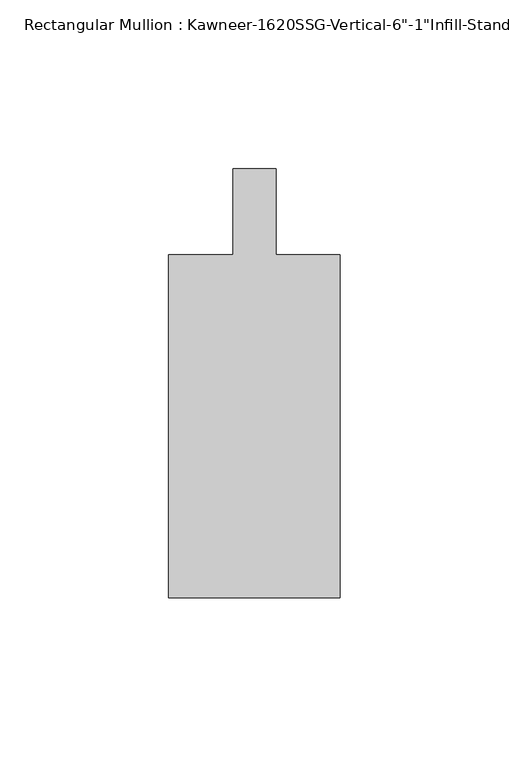
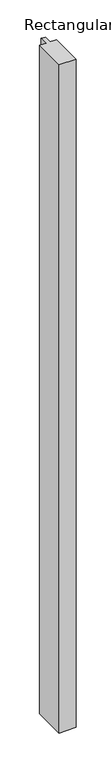
"""IFC4 building model written with IfcOpenShell, lengths in millimetres: member geometry."""

from ifc_helpers import new_model, si_unit, frame, origin, place, context, project, spatial, polyline, outline, extrude, source, transform, mapped, element, save


def member_d762c761(model_context):
    return source(origin(), model_context, "Body", "SweptSolid", [
        extrude(outline(polyline([(25.4, -114.3), (-25.4, -114.3), (-25.4, -12.7), (-6.35, -12.7), (-6.35, 12.7), (6.35, 12.7), (6.35, -12.7), (25.4, -12.7), (25.4, -114.3)])), frame((0.0, 0.0, -2117.725), z_axis=(0.0, 0.0, 1.0), x_axis=(1.0, 0.0, 0.0)), (0.0, 0.0, 1.0), 2117.725),
    ])


if __name__ == "__main__":
    model = new_model("IFC4")
    model_context = context("Model", 3, world=origin())
    ifc_project = project(units=[si_unit("LENGTHUNIT", "METRE", prefix="MILLI")], contexts=[model_context])
    site = spatial("IfcSite", under=ifc_project)
    building = spatial("IfcBuilding", under=site)
    placement = place(None, origin())
    member_shape = member_d762c761(model_context)
    element("IfcMember", 1, ObjectType="Rectangular Mullion : Kawneer-1620SSG-Vertical-6\"-1\"Infill-Standard", at=placement, inside=building, context=model_context, shape_type="MappedRepresentation", body=[
        mapped(member_shape, transform((0.0, 0.0, 0.0), x_axis=(1.0, 0.0, 0.0), y_axis=(0.0, 1.0, 0.0), z_axis=(0.0, 0.0, 1.0))),
    ])
    save(model, "model.ifc")
